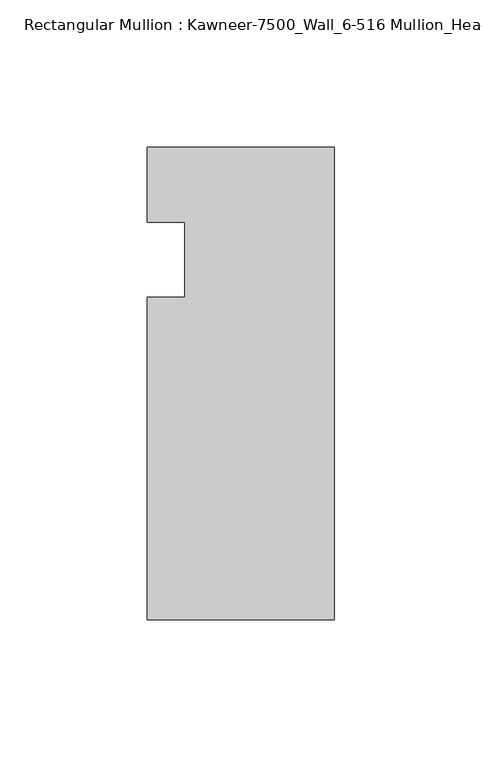
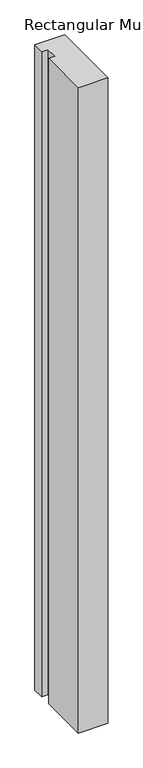
"""IFC4 building model written with IfcOpenShell, lengths in millimetres: member geometry, Rectangular Mullion : Kawneer-7500_Wall_6-516 Mullion_Head."""

from ifc_helpers import new_model, si_unit, frame, origin, place, context, project, spatial, polyline, outline, extrude, source, transform, mapped, element, save


def rectangular_mullion_kawneer_7500_wall_6_516_mullion_head_a60bf01f(model_context):
    return source(origin(), model_context, "Body", "SweptSolid", [
        extrude(outline(polyline([(-63.5, -122.2375), (-63.5, -12.7), (-50.7982296, -12.7), (-50.7982296, 12.7), (-63.5, 12.7), (-63.5, 38.1), (0.0, 38.1), (0.0, -122.2375), (-63.5, -122.2375)])), frame((0.0, 0.0, -1460.5), z_axis=(0.0, 0.0, 1.0), x_axis=(1.0, 0.0, 0.0)), (0.0, 0.0, 1.0), 1460.5),
    ])


if __name__ == "__main__":
    model = new_model("IFC4")
    model_context = context("Model", 3, world=origin())
    ifc_project = project(units=[si_unit("LENGTHUNIT", "METRE", prefix="MILLI")], contexts=[model_context])
    site = spatial("IfcSite", under=ifc_project)
    building = spatial("IfcBuilding", under=site)
    placement = place(None, origin())
    rectangular_mullion_kawneer_7500_wall_6_516_mullion_head_shape = rectangular_mullion_kawneer_7500_wall_6_516_mullion_head_a60bf01f(model_context)
    element("IfcMember", 1, ObjectType="Rectangular Mullion : Kawneer-7500_Wall_6-516 Mullion_Head", at=placement, inside=building, context=model_context, shape_type="MappedRepresentation", body=[
        mapped(rectangular_mullion_kawneer_7500_wall_6_516_mullion_head_shape, transform((0.0, 0.0, 0.0), x_axis=(1.0, 0.0, 0.0), y_axis=(0.0, 1.0, 0.0), z_axis=(0.0, 0.0, 1.0))),
    ])
    save(model, "model.ifc")
